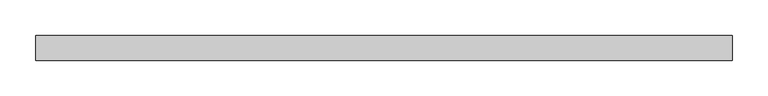
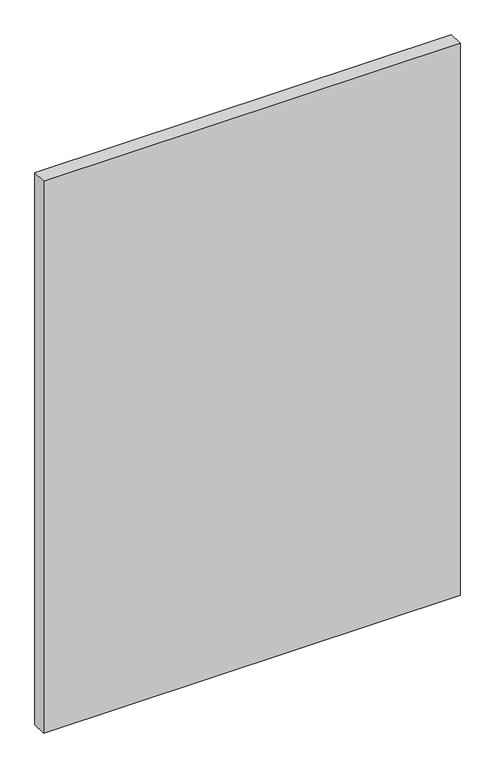
"""IFC4 building model written with IfcOpenShell, lengths in millimetres: plate geometry."""

from ifc_helpers import new_model, si_unit, origin, origin_with_axes, place, context, project, spatial, polyline, outline, extrude, source, transform, mapped, element, save


def plate_5a69c9bd(model_context):
    return source(origin(), model_context, "Body", "SweptSolid", [
        extrude(outline(polyline([(489.1696429, -17.5), (-489.1696429, -17.5), (-489.1696429, 17.5), (489.1696429, 17.5), (489.1696429, -17.5)])), origin_with_axes(), (0.0, 0.0, 1.0), 1370.0),
    ])


if __name__ == "__main__":
    model = new_model("IFC4")
    model_context = context("Model", 3, world=origin())
    ifc_project = project(units=[si_unit("LENGTHUNIT", "METRE", prefix="MILLI")], contexts=[model_context])
    site = spatial("IfcSite", under=ifc_project)
    building = spatial("IfcBuilding", under=site)
    placement = place(None, origin())
    plate_shape = plate_5a69c9bd(model_context)
    element("IfcPlate", 1, at=placement, inside=building, context=model_context, shape_type="MappedRepresentation", body=[
        mapped(plate_shape, transform((0.0, 0.0, 0.0), x_axis=(1.0, 0.0, 0.0), y_axis=(0.0, 1.0, 0.0), z_axis=(0.0, 0.0, 1.0))),
    ])
    save(model, "model.ifc")
